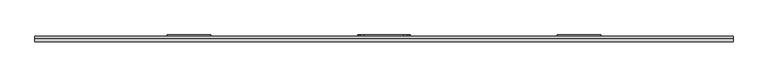
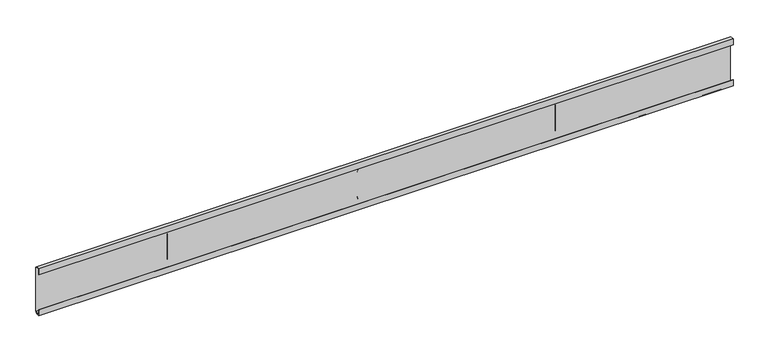
"""IFC4 building model written with IfcOpenShell, lengths in millimetres: furniture geometry."""

from ifc_helpers import new_model, si_unit, frame, origin, place, context, project, spatial, polyline, outline, extrude, source, transform, mapped, element, save


def furniture_1e2879a6(model_context):
    return source(origin(), model_context, "Body", "SweptSolid", [
        extrude(outline(polyline([(79.1082979, -45.7707891), (36.5379017, -45.7707891), (30.9753029, -44.2802914), (26.903195, -40.2081925), (25.4127019, -34.645596), (25.4127019, 34.645596), (26.903195, 40.2081925), (30.9753029, 44.2802914), (36.5379017, 45.7707891), (79.1082979, 45.7707891), (84.6709035, 44.2802914), (88.7430114, 40.2081925), (90.2335, 34.645596), (90.2335, -34.645596), (88.7430114, -40.2081925), (84.6709035, -44.2802914), (79.1082979, -45.7707891)])), frame((0.0, 39.0921875, 0.0), z_axis=(0.0, 1.0, 0.0), x_axis=(0.0, 0.0, 1.0)), (0.0, 0.0, 1.0), 2.309816),
        extrude(outline(polyline([(-301.9298, 39.0921875), (-378.1298, 39.0921875), (-378.1298, 41.4020035), (-301.9298, 41.4020035), (-301.9298, 39.0921875)])), frame((0.0, 0.0, 35.433), z_axis=(0.0, 0.0, 1.0), x_axis=(1.0, 0.0, 0.0)), (0.0, 0.0, 1.0), 48.26),
        extrude(outline(polyline([(378.1298, 39.0921875), (301.9298, 39.0921875), (301.9298, 41.4020035), (378.1298, 41.4020035), (378.1298, 39.0921875)])), frame((0.0, 0.0, 35.433), z_axis=(0.0, 0.0, 1.0), x_axis=(1.0, 0.0, 0.0)), (0.0, 0.0, 1.0), 48.26),
        extrude(outline(polyline([(29.5671875, 104.2233438), (35.9171874, 104.2233438), (39.0921875, 101.0285018), (39.0921875, 20.3835004), (35.917184, 17.2085), (29.5671875, 17.2085), (29.5671875, 28.0035022), (30.3609375, 28.0035022), (30.3609375, 18.0022534), (35.9171874, 18.0022534), (38.2984375, 20.3835035), (38.2984375, 101.0284987), (35.9171874, 103.4295938), (30.3609375, 103.4295938), (30.3609375, 93.4085), (29.5671875, 93.4085), (29.5671875, 104.2233438)])), frame((-608.409375, 0.0, 0.0), z_axis=(1.0, 0.0, 0.0), x_axis=(0.0, 1.0, 0.0)), (0.0, 0.0, 1.0), 1216.81875),
    ])


if __name__ == "__main__":
    model = new_model("IFC4")
    model_context = context("Model", 3, world=origin())
    ifc_project = project(units=[si_unit("LENGTHUNIT", "METRE", prefix="MILLI")], contexts=[model_context])
    site = spatial("IfcSite", under=ifc_project)
    building = spatial("IfcBuilding", under=site)
    placement = place(None, origin())
    furniture_shape = furniture_1e2879a6(model_context)
    element("IfcFurniture", 1, at=placement, inside=building, context=model_context, shape_type="MappedRepresentation", body=[
        mapped(furniture_shape, transform((0.0, 0.0, 0.0), x_axis=(1.0, 0.0, 0.0), y_axis=(0.0, 1.0, 0.0), z_axis=(0.0, 0.0, 1.0))),
    ])
    save(model, "model.ifc")
